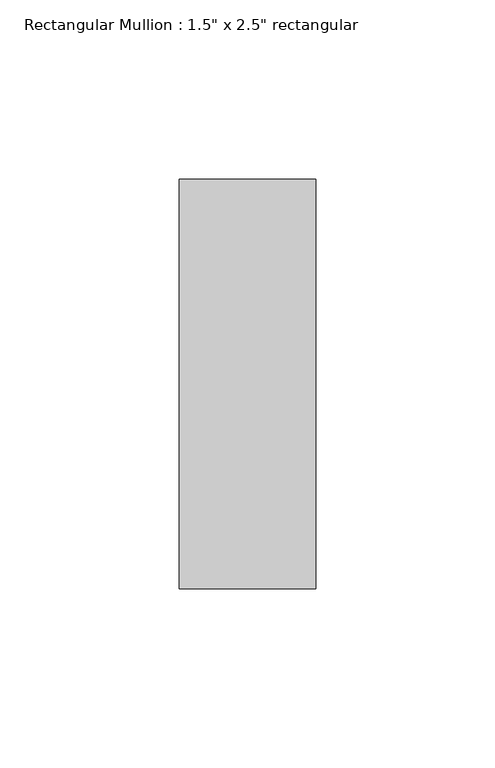
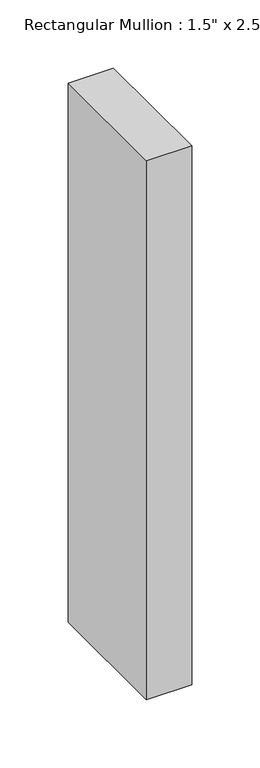
"""IFC4 building model written with IfcOpenShell, lengths in millimetres: member geometry."""

from ifc_helpers import new_model, si_unit, frame, origin, place, context, project, spatial, polyline, outline, extrude, source, transform, mapped, element, save


def member_fb6e4598(model_context):
    return source(origin(), model_context, "Body", "SweptSolid", [
        extrude(outline(polyline([(19.05, 57.15), (19.05, -57.15), (-19.05, -57.15), (-19.05, 57.15), (19.05, 57.15)])), frame((0.0, 0.0, -481.0405049), z_axis=(0.0, 0.0, 1.0), x_axis=(1.0, 0.0, 0.0)), (0.0, 0.0, 1.0), 481.0405049),
    ])


if __name__ == "__main__":
    model = new_model("IFC4")
    model_context = context("Model", 3, world=origin())
    ifc_project = project(units=[si_unit("LENGTHUNIT", "METRE", prefix="MILLI")], contexts=[model_context])
    site = spatial("IfcSite", under=ifc_project)
    building = spatial("IfcBuilding", under=site)
    placement = place(None, origin())
    member_shape = member_fb6e4598(model_context)
    element("IfcMember", 1, ObjectType="Rectangular Mullion : 1.5\" x 2.5\" rectangular", at=placement, inside=building, context=model_context, shape_type="MappedRepresentation", body=[
        mapped(member_shape, transform((0.0, 0.0, 0.0), x_axis=(1.0, 0.0, 0.0), y_axis=(0.0, 1.0, 0.0), z_axis=(0.0, 0.0, 1.0))),
    ])
    save(model, "model.ifc")
